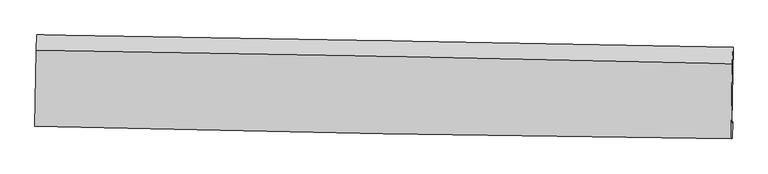
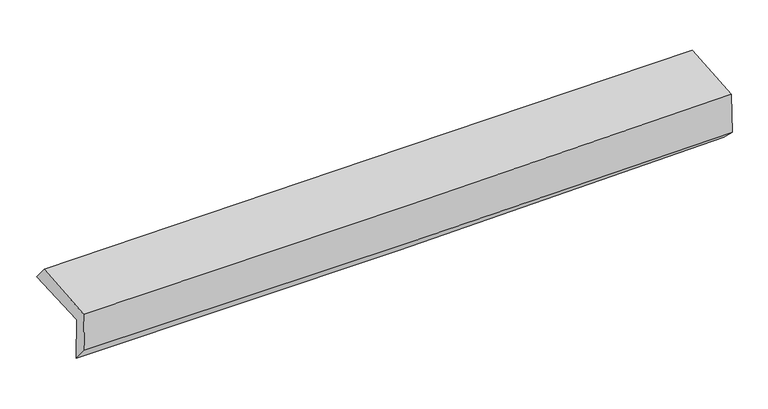
"""IFC4 building model written with IfcOpenShell, lengths in millimetres: proxy geometry."""

from ifc_helpers import new_model, si_unit, frame, origin, place, context, project, spatial, source, transform, mapped, element, save
from ifc_brep_helpers import plane_surface, spline_curve, spline_surface, advanced_brep


def generic_models_834a7a7f(model_context):
    return source(origin(), model_context, "Body", "AdvancedBrep", [
        advanced_brep(
        [(-3020.2423331, -1762.1529716, 1953.8382921), (-3009.1144493, -1093.9765709, 1969.0507771), (3008.1238633, -1200.1027502, 2117.6480643), (2997.3624588, -1856.3519716, 2095.4379726), (-3010.6930175, -1741.9653073, 1555.2843521), (3006.6740752, -1843.1875656, 1701.9530033), (-3016.9280738, -1882.5759507, 1720.6997507), (3000.8617865, -1989.0739914, 1845.133192), (-3025.361519, -1885.1297337, 2084.0464993), (2992.0753378, -1991.7346695, 2223.6887573), (-3014.9420963, -1224.7157949, 2124.1663329), (3002.3390711, -1341.1887845, 2263.2091112)],
        [
            (0, 1),
            (1, 2, spline_curve(3, [(-3009.1144493, -1093.9765709, 1969.0507771), (-2005.642505908, -1110.749630228, 1968.81532484), (-1002.472952226, -1127.979953373, 1981.080559888), (1003.273159056, -1163.355335648, 2030.6126951), (2005.849709429, -1181.500405643, 2067.879889098), (3008.1238633, -1200.1027502, 2117.6480643)], [4, 2, 4], [0.0, 9.875883703437523, 19.751883443991943])),
            (2, 3),
            (3, 0, spline_curve(3, [(2997.3624588, -1856.3519716, 2095.4379726), (1994.693885811, -1847.086022569, 2055.805122786), (991.889586906, -1834.603066167, 2024.188702286), (-1013.978680557, -1803.203323898, 1976.9889972), (-2017.042645107, -1784.286613527, 1961.405524048), (-3020.2423331, -1762.1529716, 1953.8382921)], [4, 2, 4], [0.0, 9.87599974055442, 19.751883443991943])),
            (4, 0),
            (3, 5),
            (5, 4, spline_curve(3, [(3006.6740752, -1843.1875656, 1701.9530033), (2004.51028868, -1816.243151405, 1653.611778837), (1001.978189596, -1794.335735796, 1617.218777726), (-1003.810850113, -1760.595101621, 1568.329507885), (-2007.067781854, -1748.761764154, 1555.832959049), (-3010.6930175, -1741.9653073, 1555.2843521)], [4, 2, 4], [0.0, 9.875963531727962, 19.75181102676446])),
            (6, 4),
            (5, 7),
            (7, 6, spline_curve(3, [(3000.8617865, -1989.0739914, 1845.133192), (1997.964115041, -1977.166990166, 1817.387506111), (995.029844999, -1962.33858371, 1793.145169371), (-1010.900109489, -1926.83916824, 1751.6674381), (-2013.895792619, -1906.168227815, 1734.431961033), (-3016.9280738, -1882.5759507, 1720.6997507)], [4, 2, 4], [0.0, 9.87573230340456, 19.751348572834452])),
            (8, 6),
            (7, 9),
            (9, 8, spline_curve(3, [(2992.0753378, -1991.7346695, 2223.6887573), (1989.121885207, -1979.844559984, 2198.34635523), (986.189141499, -1965.015691016, 2174.038237381), (-1019.62314328, -1929.480643343, 2127.490842073), (-2022.502685669, -1908.774533671, 2105.251540873), (-3025.361519, -1885.1297337, 2084.0464993)], [4, 2, 4], [0.0, 9.87547343377284, 19.750830836612575])),
            (10, 8),
            (9, 11),
            (11, 10, spline_curve(3, [(3002.3390711, -1341.1887845, 2263.2091112), (1999.569844052, -1317.621905265, 2238.576067569), (996.742187244, -1296.132338482, 2214.672583471), (-1009.01820333, -1257.3080572, 2168.325008009), (-2011.950935463, -1239.97329448, 2145.880898993), (-3014.9420963, -1224.7157949, 2124.1663329)], [4, 2, 4], [0.0, 9.875400762571141, 19.75068549506302])),
            (1, 10),
            (11, 2),
        ],
        [
            spline_surface(3, 3, [[(-3020.2423331, -1762.1529716, 1953.8382921), (-2017.042645197, -1784.286613508, 1961.40552417), (-1013.978680406, -1803.203323901, 1976.988997184), (991.889586754, -1834.603066164, 2024.188702301), (1994.693885922, -1847.086022435, 2055.805122802), (2997.3624588, -1856.3519716, 2095.4379726)], [(-3016.533038521, -1539.427504688, 1958.909120435), (-2013.242598798, -1559.774285703, 1963.875457737), (-1010.143437691, -1578.128867046, 1978.352851408), (995.684110858, -1610.853822681, 2026.330033256), (1998.412493792, -1625.224150154, 2059.830044957), (3000.949593628, -1637.602231143, 2102.841336507)], [(-3012.823743879, -1316.702037812, 1963.979948765), (-2009.442552337, -1335.261957934, 1966.3453913), (-1006.308194963, -1353.054410177, 1979.716705616), (999.478634974, -1387.104579183, 2028.471364194), (2002.131101679, -1403.362277842, 2063.854967091), (3004.536728472, -1418.852490657, 2110.244700393)], [(-3009.1144493, -1093.9765709, 1969.0507771), (-2005.642505938, -1110.749630129, 1968.815324867), (-1002.472952247, -1127.979953321, 1981.08055984), (1003.273159078, -1163.3553357, 2030.612695148), (2005.849709549, -1181.50040556, 2067.879889246), (3008.1238633, -1200.1027502, 2117.6480643)]], [4, 4], [4, 2, 4], [0.0, 2.2091644499191334], [0.0, 9.875883703437523, 19.751883443991943]),
            spline_surface(3, 3, [[(-3010.6930175, -1741.9653073, 1555.2843521), (-2007.067781821, -1748.761764096, 1555.832958933), (-1003.810850033, -1760.595101506, 1568.329507985), (1001.978189515, -1794.335735911, 1617.218777627), (2004.510288641, -1816.243151266, 1653.611778956), (3006.6740752, -1843.1875656, 1701.9530033)], [(-3013.876122684, -1748.694528733, 1688.13566543), (-2010.392736264, -1760.603380567, 1691.023814009), (-1007.200126843, -1774.797842296, 1704.549337717), (998.615321909, -1807.758179321, 1752.875419184), (2001.238154428, -1826.524108323, 1787.676226885), (3003.570203093, -1847.575700934, 1833.114659714)], [(-3017.059227916, -1755.423750167, 1820.98697877), (-2013.717690754, -1772.444997037, 1826.214669094), (-1010.589403596, -1789.000583111, 1840.769167452), (995.25245436, -1821.180622755, 1888.532060744), (1997.966020135, -1836.805065379, 1921.740674873), (3000.466330907, -1851.963836266, 1964.276316186)], [(-3020.2423331, -1762.1529716, 1953.8382921), (-2017.042645197, -1784.286613508, 1961.40552417), (-1013.978680406, -1803.203323901, 1976.988997184), (991.889586754, -1834.603066164, 2024.188702301), (1994.693885922, -1847.086022435, 2055.805122802), (2997.3624588, -1856.3519716, 2095.4379726)]], [4, 4], [4, 2, 4], [0.0, 1.345274368050796], [0.0, 9.8758474950365, 19.75181102676446]),
            spline_surface(3, 3, [[(-3016.9280738, -1882.5759507, 1720.6997507), (-2013.895792525, -1906.168227865, 1734.431960976), (-1010.900109406, -1926.839168206, 1751.667438011), (995.029844917, -1962.338583744, 1793.14516946), (1997.964115172, -1977.166990325, 1817.387506179), (3000.8617865, -1989.0739914, 1845.133192)], [(-3014.849721694, -1835.705736234, 1665.561284496), (-2011.619788951, -1853.699406609, 1674.898960291), (-1008.537022928, -1871.424479322, 1690.55479464), (997.345959804, -1906.337634482, 1734.50303882), (2000.146172964, -1923.525710651, 1762.795597104), (3002.799216036, -1940.445182812, 1797.406462433)], [(-3012.771369606, -1788.835521766, 1610.422818304), (-2009.343785395, -1801.230585352, 1615.365959618), (-1006.173936511, -1816.00979039, 1629.442151356), (999.662074629, -1850.336685173, 1675.860908267), (2002.328230849, -1869.88443094, 1708.203688032), (3004.736645664, -1891.816374188, 1749.679732867)], [(-3010.6930175, -1741.9653073, 1555.2843521), (-2007.067781821, -1748.761764096, 1555.832958933), (-1003.810850033, -1760.595101506, 1568.329507985), (1001.978189515, -1794.335735911, 1617.218777627), (2004.510288641, -1816.243151266, 1653.611778956), (3006.6740752, -1843.1875656, 1701.9530033)]], [4, 4], [4, 2, 4], [0.0, 0.8052922580443659], [0.0, 9.875616269429893, 19.751348572834452]),
            spline_surface(3, 3, [[(-3025.361519, -1885.1297337, 2084.0464993), (-2022.502685578, -1908.774533668, 2105.251540947), (-1019.623143441, -1929.480643343, 2127.490842226), (986.18914166, -1965.015691016, 2174.038237227), (1989.121885148, -1979.844559908, 2198.346355337), (2992.0753378, -1991.7346695, 2223.6887573)], [(-3022.550370621, -1884.2784727, 1962.930916419), (-2019.633721249, -1907.905765067, 1981.645014275), (-1016.715465424, -1928.600151614, 2002.216374179), (989.13604275, -1964.123321909, 2047.073881329), (1992.069295177, -1978.952036686, 2071.360072304), (2995.004154054, -1990.847776772, 2097.503568886)], [(-3019.739222179, -1883.4272117, 1841.815333581), (-2016.764756855, -1907.036996466, 1858.038487648), (-1013.807787423, -1927.719659934, 1876.941906058), (992.082943826, -1963.230952851, 1920.109525358), (1995.016705143, -1978.059513547, 1944.373789213), (2997.932970246, -1989.960884128, 1971.318380414)], [(-3016.9280738, -1882.5759507, 1720.6997507), (-2013.895792525, -1906.168227865, 1734.431960976), (-1010.900109406, -1926.839168206, 1751.667438011), (995.029844917, -1962.338583744, 1793.14516946), (1997.964115172, -1977.166990325, 1817.387506179), (3000.8617865, -1989.0739914, 1845.133192)]], [4, 4], [4, 2, 4], [0.0, 1.2416978686896043], [0.0, 9.875357402839736, 19.750830836612575]),
            spline_surface(3, 3, [[(-3014.9420963, -1224.7157949, 2124.1663329), (-2011.950935524, -1239.973294354, 2145.880899074), (-1009.018203296, -1257.308057323, 2168.325007923), (996.742187211, -1296.132338359, 2214.672583557), (1999.569844115, -1317.62190529, 2238.576067453), (3002.3390711, -1341.1887845, 2263.2091112)], [(-3018.415237204, -1444.853774485, 2110.793055061), (-2015.468185546, -1462.907040777, 2132.337779726), (-1012.553183354, -1481.365585995, 2154.713619335), (993.224505351, -1519.09345591, 2201.127801425), (1996.087191108, -1538.36279018, 2225.166163402), (2998.917826649, -1558.037412851, 2250.035659888)], [(-3021.888378096, -1664.991754115, 2097.419777139), (-2018.985435556, -1685.840787245, 2118.794660295), (-1016.088163383, -1705.423114671, 2141.102230814), (989.70682352, -1742.054573466, 2187.583019359), (1992.604538155, -1759.103675018, 2211.756259388), (2995.496582251, -1774.886041149, 2236.862208612)], [(-3025.361519, -1885.1297337, 2084.0464993), (-2022.502685578, -1908.774533668, 2105.251540947), (-1019.623143441, -1929.480643343, 2127.490842226), (986.18914166, -1965.015691016, 2174.038237227), (1989.121885148, -1979.844559908, 2198.346355337), (2992.0753378, -1991.7346695, 2223.6887573)]], [4, 4], [4, 2, 4], [0.0, 2.2042237470880526], [0.0, 9.87528473249188, 19.75068549506302]),
            spline_surface(3, 3, [[(-3009.1144493, -1093.9765709, 1969.0507771), (-2005.642505938, -1110.749630129, 1968.815324867), (-1002.472952247, -1127.979953321, 1981.08055984), (1003.273159078, -1163.3553357, 2030.612695148), (2005.849709549, -1181.50040556, 2067.879889246), (3008.1238633, -1200.1027502, 2117.6480643)], [(-3011.056998275, -1137.55631226, 2020.75596236), (-2007.745315775, -1153.824184898, 2027.837182929), (-1004.65470259, -1171.089321327, 2043.495375889), (1001.096168462, -1207.614336592, 2091.965991307), (2003.756421078, -1226.87423879, 2124.778615321), (3006.19559924, -1247.131428287, 2166.168413273)], [(-3012.999547325, -1181.13605354, 2072.46114764), (-2009.848125687, -1196.898739585, 2086.859041012), (-1006.836452954, -1214.198689317, 2105.910191873), (998.919177826, -1251.873337467, 2153.319287399), (2001.663132586, -1272.248072059, 2181.677341378), (3004.26733516, -1294.160106413, 2214.688762227)], [(-3014.9420963, -1224.7157949, 2124.1663329), (-2011.950935524, -1239.973294354, 2145.880899074), (-1009.018203296, -1257.308057323, 2168.325007923), (996.742187211, -1296.132338359, 2214.672583557), (1999.569844115, -1317.62190529, 2238.576067453), (3002.3390711, -1341.1887845, 2263.2091112)]], [4, 4], [4, 2, 4], [0.0, 0.7458716906036139], [0.0, 9.875538984206564, 19.751194001479732]),
            plane_surface(frame((3001.2394321, -1703.6066221, 2041.1783501), z_axis=(0.9995861169676179, -0.017172687632669614, 0.02308015522197717), x_axis=(0.02320363757040784, 0.007026435128191174, -0.9997060670081435))),
            plane_surface(frame((-3016.2135815, -1598.4193882, 1901.1810007), z_axis=(-0.9995861169676716, 0.01717268762788349, -0.02308015522320693), x_axis=(-0.01664748877377589, -0.9996023855792127, -0.022758116395563657))),
        ],
        [
            (0, [[1, 2, 3, 4]]),
            (1, [[5, -4, 6, 7]]),
            (2, [[8, -7, 9, 10]]),
            (3, [[11, -10, 12, 13]]),
            (4, [[14, -13, 15, 16]]),
            (5, [[17, -16, 18, -2]]),
            (6, [[-12, -9, -6, -3, -18, -15]]),
            (7, [[-1, -5, -8, -11, -14, -17]]),
        ],
    ),
    ])


if __name__ == "__main__":
    model = new_model("IFC4")
    model_context = context("Model", 3, world=origin())
    ifc_project = project(units=[si_unit("LENGTHUNIT", "METRE", prefix="MILLI")], contexts=[model_context])
    site = spatial("IfcSite", under=ifc_project)
    building = spatial("IfcBuilding", under=site)
    placement = place(None, origin())
    generic_models_shape = generic_models_834a7a7f(model_context)
    element("IfcBuildingElementProxy", 1, Name="Generic Models", at=placement, inside=building, context=model_context, shape_type="MappedRepresentation", body=[
        mapped(generic_models_shape, transform((0.0, 0.0, 0.0), x_axis=(1.0, 0.0, 0.0), y_axis=(0.0, 1.0, 0.0), z_axis=(0.0, 0.0, 1.0))),
    ])
    save(model, "model.ifc")
